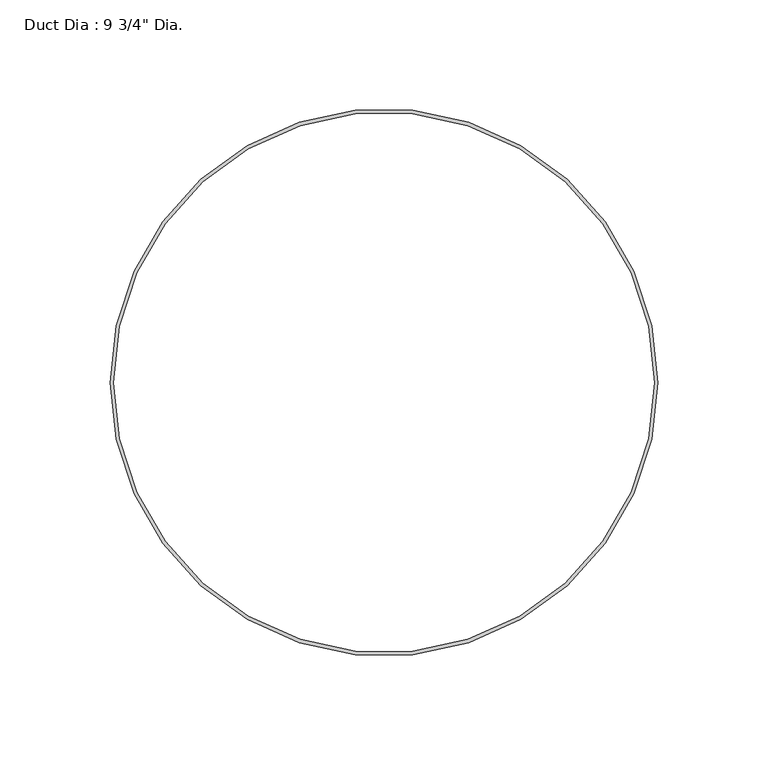
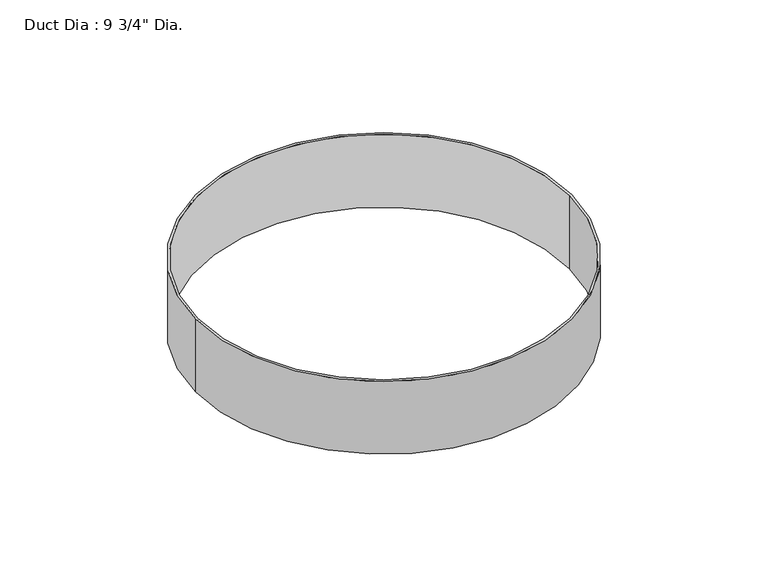
"""IFC4 building model written with IfcOpenShell, lengths in millimetres: proxy geometry."""

from ifc_helpers import new_model, si_unit, point, origin, origin_with_axes, origin_2d, place, context, project, spatial, circle_curve, trimmed, segment, composite_curve, outline, extrude, source, transform, mapped, element, save


def proxy_2b585128(model_context):
    return source(origin(), model_context, "Body", "SweptSolid", [
        extrude(outline(composite_curve([segment(trimmed(circle_curve(origin_2d(), 123.825), [point((-123.825, 0.0))], [point((123.825, 0.0))], False, "CARTESIAN"), True, "CONTINUOUS"), segment(trimmed(circle_curve(origin_2d(), 123.825), [point((123.825, 0.0))], [point((-123.825, 0.0))], False, "CARTESIAN"), True, "CONTINUOUS")], self_intersect=False), holes=[composite_curve([segment(trimmed(circle_curve(origin_2d(), 122.2375), [point((-122.2375, 0.0))], [point((122.2375, 0.0))], True, "CARTESIAN"), True, "CONTINUOUS"), segment(trimmed(circle_curve(origin_2d(), 122.2375), [point((122.2375, 0.0))], [point((-122.2375, 0.0))], True, "CARTESIAN"), True, "CONTINUOUS")], self_intersect=False)]), origin_with_axes(), (0.0, 0.0, 1.0), 50.8),
    ])


if __name__ == "__main__":
    model = new_model("IFC4")
    model_context = context("Model", 3, world=origin())
    ifc_project = project(units=[si_unit("LENGTHUNIT", "METRE", prefix="MILLI")], contexts=[model_context])
    site = spatial("IfcSite", under=ifc_project)
    building = spatial("IfcBuilding", under=site)
    placement = place(None, origin())
    proxy_shape = proxy_2b585128(model_context)
    element("IfcBuildingElementProxy", 1, Name="Duct Dia : 9 3/4\" Dia.", ObjectType="Duct Dia : 9 3/4\" Dia.", at=placement, inside=building, context=model_context, shape_type="MappedRepresentation", body=[
        mapped(proxy_shape, transform((0.0, 0.0, 0.0), x_axis=(1.0, 0.0, 0.0), y_axis=(0.0, 1.0, 0.0), z_axis=(0.0, 0.0, 1.0))),
    ])
    save(model, "model.ifc")
